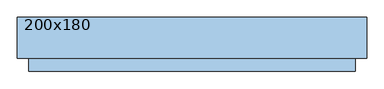
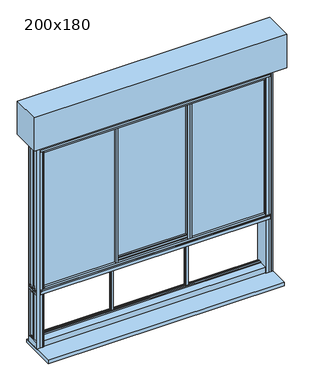
"""IFC4 building model written with IfcOpenShell, lengths in millimetres: window geometry, 200x180."""

from ifc_helpers import new_model, si_unit, frame, origin, place, context, project, spatial, polyline, outline, extrude, faceted_brep, source, transform, mapped, element, save


def window_200x180_e56c204f(model_context):
    return source(origin(), model_context, "Body", "SolidModel", [
        extrude(outline(polyline([(1871.5, 940.7), (1775.5, 940.7), (1775.5, 966.7), (1871.5, 966.7), (1871.5, 940.7)]), holes=[polyline([(1778.5, 963.7), (1778.5, 943.7), (1868.5, 943.7), (1868.5, 963.7), (1778.5, 963.7)])]), frame((0.0, 32.25, 0.0), z_axis=(0.0, 1.0, 0.0), x_axis=(0.0, 0.0, 1.0)), (0.0, 0.0, 1.0), 10.0),
        extrude(outline(polyline([(1871.5, -888.3), (1871.5, -914.3), (1775.5, -914.3), (1775.5, -888.3), (1871.5, -888.3)]), holes=[polyline([(1778.5, -911.3), (1868.5, -911.3), (1868.5, -891.3), (1778.5, -891.3), (1778.5, -911.3)])]), frame((0.0, 32.65, 0.0), z_axis=(0.0, 1.0, 0.0), x_axis=(0.0, 0.0, 1.0)), (0.0, 0.0, 1.0), 10.0),
        extrude(outline(polyline([(1096.2, -93.75), (-1043.8, -93.75), (-1043.8, 156.25), (1096.2, 156.25), (1096.2, -93.75)])), frame((0.0, 0.0, 2523.5), z_axis=(0.0, 0.0, 1.0), x_axis=(1.0, 0.0, 0.0)), (0.0, 0.0, 1.0), 300.0),
        extrude(outline(polyline([(57.45, 2431.9), (61.75, 2431.9), (61.75, 2434.1), (67.4000001, 2434.1), (67.4000001, 2443.9), (88.6999999, 2443.9), (88.6999999, 2434.1), (94.35, 2434.1), (94.35, 2431.9), (98.65, 2431.9), (98.65, 2414.0), (81.05, 2414.0), (81.05, 2423.4), (75.05, 2423.4), (75.05, 2414.0), (57.45, 2414.0), (57.45, 2431.9)])), frame((-290.1333333, 0.0, 0.0), z_axis=(1.0, 0.0, 0.0), x_axis=(0.0, 1.0, 0.0)), (0.0, 0.0, 1.0), 632.6666667),
        extrude(outline(polyline([(57.45, 1186.15), (57.45, 1204.05), (75.05, 1204.05), (75.05, 1194.65), (81.05, 1194.65), (81.05, 1204.05), (98.65, 1204.05), (98.65, 1186.15), (94.35, 1186.15), (94.35, 1183.95), (88.6999999, 1183.95), (88.6999999, 1174.15), (67.4000001, 1174.15), (67.4000001, 1183.95), (61.75, 1183.95), (61.75, 1186.15), (57.45, 1186.15)])), frame((-290.1333333, 0.0, 0.0), z_axis=(1.0, 0.0, 0.0), x_axis=(0.0, 1.0, 0.0)), (0.0, 0.0, 1.0), 632.6666667),
        faceted_brep([(1026.2, 25.5, 1173.5), (1015.15, 25.5, 1173.5), (1015.15, 21.0, 1173.5), (1026.2, 21.0, 1173.5), (-973.8, 21.0, 1173.5), (-962.75, 21.0, 1173.5), (-962.75, 25.5, 1173.5), (-973.8, 25.5, 1173.5), (977.05, 21.0, 1173.5), (1013.35, 21.0, 1173.5), (1013.35, 22.7303848, 1173.5), (1013.35, 25.5, 1173.5), (977.05, 25.5, 1173.5), (977.05, 42.2, 1173.5), (965.85, 42.2, 1173.5), (965.85, 25.5, 1173.5), (-913.45, 25.5, 1173.5), (-913.45, 42.2, 1173.5), (-924.65, 42.2, 1173.5), (-924.65, 25.5, 1173.5), (-960.95, 25.5, 1173.5), (-960.95, 22.7303848, 1173.5), (-960.95, 21.0, 1173.5), (-924.65, 21.0, 1173.5), (-924.65, 4.3, 1173.5), (-913.45, 4.3, 1173.5), (-913.45, 21.0, 1173.5), (965.85, 21.0, 1173.5), (965.85, 4.3, 1173.5), (977.05, 4.3, 1173.5), (-913.45, 108.1, 673.5), (-913.45, 106.25, 673.5), (965.85, 106.25, 673.5), (965.85, 108.1, 673.5), (1026.2, 108.1, 673.5), (1026.2, 29.65, 673.5), (1015.15, 29.65, 673.5), (1015.15, -0.5850342, 673.5), (1026.2, -0.5850342, 673.5), (1026.2, -6.8, 673.5), (998.9952323, -6.8, 673.5), (965.85, -6.8, 673.5), (965.85, 29.65, 673.5), (-913.45, 29.65, 673.5), (-913.45, -6.8, 673.5), (-946.5952323, -6.8, 673.5), (-973.8, -6.8, 673.5), (-973.8, -0.5850342, 673.5), (-962.75, -0.5850342, 673.5), (-962.75, 29.65, 673.5), (-973.8, 29.65, 673.5), (-973.8, 108.1, 673.5), (-960.95, -5.3, 673.5), (-924.65, -5.3, 673.5), (-924.65, 29.65, 673.5), (-960.95, 29.65, 673.5), (-960.95, 22.7303848, 673.5), (1013.35, -5.3, 673.5), (1013.35, 22.7303848, 673.5), (1013.35, 29.65, 673.5), (977.05, 29.65, 673.5), (977.05, -5.3, 673.5), (977.05, 29.65, 677.75), (977.05, -4.95, 677.75), (977.05, -4.95, 728.8026988), (977.05, 49.9, 728.8026988), (977.05, 49.9, 1150.55), (977.05, -4.95, 1150.55), (977.05, -4.95, 1206.05), (977.05, -0.85, 1206.05), (977.05, -0.85, 2412.0), (977.05, -4.95, 2412.0), (977.05, -4.95, 2473.5), (977.05, -5.3, 2473.5), (977.05, 4.3, 1169.65), (977.05, 21.0, 1169.65), (977.05, 25.5, 1169.65), (977.05, 42.2, 1169.65), (977.05, 49.9, 2455.0), (977.05, 47.35, 2455.0), (977.05, 47.35, 2424.7), (977.05, 49.9, 2424.7), (977.05, 49.9, 2412.0), (977.05, 47.35, 2412.0), (977.05, 47.35, 1206.05), (977.05, 49.9, 1206.05), (977.05, -0.85, 2455.0), (977.05, -3.45, 2455.0), (977.05, -3.45, 2426.5), (977.05, -0.85, 2426.5), (965.85, 106.25, 728.8026988), (965.85, 90.05, 728.8026988), (965.85, 90.05, 738.4026988), (965.85, 81.05, 738.4026988), (965.85, 81.05, 729.8026988), (965.85, 75.05, 729.8026988), (965.85, 75.05, 738.4026988), (965.85, 61.75, 738.4026988), (965.85, 61.75, 728.8026988), (965.85, -4.95, 728.8026988), (965.85, -4.95, 677.75), (965.85, 29.65, 677.75), (965.85, -6.8, 2473.5), (965.85, -4.95, 2473.5), (965.85, -4.95, 2412.0), (965.85, -0.85, 2412.0), (965.85, -0.85, 1206.05), (965.85, -4.95, 1206.05), (965.85, -4.95, 1150.55), (965.85, 61.7500001, 1150.55), (965.85, 61.7500001, 1140.95), (965.85, 75.0500001, 1140.95), (965.85, 75.0500001, 1149.55), (965.85, 81.0500001, 1149.55), (965.85, 81.0500001, 1140.95), (965.85, 90.0500001, 1140.95), (965.85, 90.0500001, 1150.55), (965.85, 106.25, 1150.55), (965.85, 106.25, 1206.05), (965.85, 102.15, 1206.05), (965.85, 102.15, 1194.85), (965.85, 104.75, 1194.85), (965.85, 104.75, 1188.85), (965.85, 101.205881, 1188.85), (965.85, 99.75, 1184.85), (965.85, 97.0, 1184.85), (965.85, 97.0, 1169.65), (965.85, 80.3, 1169.65), (965.85, 80.3, 1173.6231379), (965.85, 75.8, 1173.6231379), (965.85, 75.8, 1169.65), (965.85, 59.1000001, 1169.65), (965.85, 59.1000001, 1184.85), (965.85, 56.4000001, 1184.85), (965.85, 54.9441191, 1188.85), (965.85, 53.9500001, 1188.85), (965.85, 53.9500001, 1206.05), (965.85, 47.35, 1206.05), (965.85, 47.35, 2412.0), (965.85, 53.95, 2412.0), (965.85, 53.95, 2424.7), (965.85, 51.4, 2424.7), (965.85, 51.4, 2455.0), (965.85, 104.75, 2455.0), (965.85, 104.75, 2426.5), (965.85, 102.15, 2426.5), (965.85, 102.15, 2412.0), (965.85, 106.25, 2412.0), (965.85, 106.25, 2473.5), (965.85, 108.1, 2473.5), (965.85, 21.0, 1169.65), (965.85, 4.3, 1169.65), (965.85, 42.2, 1169.65), (965.85, 25.5, 1169.65), (965.85, 47.35, 2455.0), (965.85, 49.9, 2455.0), (965.85, 49.9, 2424.7), (965.85, 47.35, 2424.7), (965.85, -0.85, 2426.5), (965.85, -3.45, 2426.5), (965.85, -3.45, 2455.0), (965.85, -0.85, 2455.0), (-913.45, 29.65, 677.75), (-913.45, -4.95, 677.75), (-913.45, -4.95, 728.8026988), (-913.45, 61.75, 728.8026988), (-913.45, 61.75, 738.4026988), (-913.45, 75.05, 738.4026988), (-913.45, 75.05, 729.8026988), (-913.45, 81.05, 729.8026988), (-913.45, 81.05, 738.4026988), (-913.45, 90.05, 738.4026988), (-913.45, 90.05, 728.8026988), (-913.45, 106.25, 728.8026988), (-913.45, 108.1, 2473.5), (-913.45, 106.25, 2473.5), (-913.45, 106.25, 2412.0), (-913.45, 102.15, 2412.0), (-913.45, 102.15, 2426.5), (-913.45, 104.75, 2426.5), (-913.45, 104.75, 2455.0), (-913.45, 51.4, 2455.0), (-913.45, 51.4, 2424.7), (-913.45, 53.95, 2424.7), (-913.45, 53.95, 2412.0), (-913.45, 47.35, 2412.0), (-913.45, 47.35, 1206.05), (-913.45, 53.9500001, 1206.05), (-913.45, 53.9500001, 1188.85), (-913.45, 54.9441191, 1188.85), (-913.45, 56.4000001, 1184.85), (-913.45, 59.1000001, 1184.85), (-913.45, 59.1000001, 1169.65), (-913.45, 75.8, 1169.65), (-913.45, 75.8, 1173.6231379), (-913.45, 80.3, 1173.6231379), (-913.45, 80.3, 1169.65), (-913.45, 97.0, 1169.65), (-913.45, 97.0, 1184.85), (-913.45, 99.75, 1184.85), (-913.45, 101.205881, 1188.85), (-913.45, 104.75, 1188.85), (-913.45, 104.75, 1194.85), (-913.45, 102.15, 1194.85), (-913.45, 102.15, 1206.05), (-913.45, 106.25, 1206.05), (-913.45, 106.25, 1150.55), (-913.45, 90.0500001, 1150.55), (-913.45, 90.0500001, 1140.95), (-913.45, 81.0500001, 1140.95), (-913.45, 81.0500001, 1149.55), (-913.45, 75.0500001, 1149.55), (-913.45, 75.0500001, 1140.95), (-913.45, 61.7500001, 1140.95), (-913.45, 61.7500001, 1150.55), (-913.45, -4.95, 1150.55), (-913.45, -4.95, 1206.05), (-913.45, -0.85, 1206.05), (-913.45, -0.85, 2412.0), (-913.45, -4.95, 2412.0), (-913.45, -4.95, 2473.5), (-913.45, -6.8, 2473.5), (-913.45, 4.3, 1169.65), (-913.45, 21.0, 1169.65), (-913.45, 25.5, 1169.65), (-913.45, 42.2, 1169.65), (-913.45, -0.85, 2455.0), (-913.45, -3.45, 2455.0), (-913.45, -3.45, 2426.5), (-913.45, -0.85, 2426.5), (-913.45, 47.35, 2424.7), (-913.45, 49.9, 2424.7), (-913.45, 49.9, 2455.0), (-913.45, 47.35, 2455.0), (-924.65, -5.3, 2473.5), (-924.65, -4.95, 2473.5), (-924.65, -4.95, 2412.0), (-924.65, -0.85, 2412.0), (-924.65, -0.85, 1206.05), (-924.65, -4.95, 1206.05), (-924.65, -4.95, 1150.55), (-924.65, 49.9, 1150.55), (-924.65, 49.9, 728.8026988), (-924.65, -4.95, 728.8026988), (-924.65, -4.95, 677.75), (-924.65, 29.65, 677.75), (-924.65, 21.0, 1169.65), (-924.65, 4.3, 1169.65), (-924.65, 42.2, 1169.65), (-924.65, 25.5, 1169.65), (-924.65, 47.35, 2455.0), (-924.65, 49.9, 2455.0), (-924.65, 49.9, 2424.7), (-924.65, 47.35, 2424.7), (-924.65, 47.35, 2412.0), (-924.65, 49.9, 2412.0), (-924.65, 49.9, 1206.05), (-924.65, 47.35, 1206.05), (-924.65, -0.85, 2426.5), (-924.65, -3.45, 2426.5), (-924.65, -3.45, 2455.0), (-924.65, -0.85, 2455.0), (-973.8, 108.1, 2473.5), (-973.8, -6.8, 2473.5), (-946.5952323, -6.8, 2473.5), (998.9952323, -6.8, 2473.5), (1026.2, -6.8, 2473.5), (1026.2, 108.1, 2473.5), (-960.95, -5.3, 2473.5), (-960.95, -4.95, 2473.5), (1013.35, -5.3, 2473.5), (1013.35, -4.95, 2473.5), (1013.35, -0.85, 1206.05), (1013.35, -0.85, 1188.85), (-960.95, -0.85, 1188.85), (-960.95, -0.85, 1206.05), (-960.95, -0.85, 2412.0), (-960.95, -0.85, 2426.5), (1013.35, -0.85, 2426.5), (1013.35, -0.85, 2412.0), (-973.8, 29.65, 677.75), (-973.8, -0.5850342, 677.75), (-973.8, 51.4, 2455.0), (-973.8, 51.4, 2424.7), (-973.8, 53.95, 2424.7), (-973.8, 53.95, 2412.0), (-973.8, 47.35, 2412.0), (-973.8, 47.35, 2424.7), (-973.8, 49.9, 2424.7), (-973.8, 49.9, 2455.0), (-973.8, -0.5850342, 2455.0), (-973.8, -0.5850342, 1188.85), (-973.8, 0.0941191, 1188.85), (-973.8, 1.55, 1184.85), (-973.8, 4.3, 1184.85), (-973.8, 4.3, 1169.65), (-973.8, 21.0, 1169.65), (-973.8, 25.5, 1169.65), (-973.8, 42.2, 1169.65), (-973.8, 42.2, 1184.85), (-973.8, 44.9, 1184.85), (-973.8, 46.355881, 1188.85), (-973.8, 47.3500001, 1188.85), (-973.8, 47.3500001, 1206.05), (-973.8, 53.9500001, 1206.05), (-973.8, 53.9500001, 1188.85), (-973.8, 54.9441191, 1188.85), (-973.8, 56.4000001, 1184.85), (-973.8, 59.1000001, 1184.85), (-973.8, 59.1000001, 1169.65), (-973.8, 75.8, 1169.65), (-973.8, 75.8, 1173.6231379), (-973.8, 80.3, 1173.6231379), (-973.8, 80.3, 1169.65), (-973.8, 97.0, 1169.65), (-973.8, 97.0, 1184.85), (-973.8, 99.75, 1184.85), (-973.8, 101.205881, 1188.85), (-973.8, 101.8850342, 1188.85), (-973.8, 101.8850342, 2455.0), (-973.8, 90.0500001, 1150.55), (-973.8, 90.0500001, 1140.95), (-973.8, 81.0500001, 1140.95), (-973.8, 81.0500001, 1149.55), (-973.8, 75.0500001, 1149.55), (-973.8, 75.0500001, 1140.95), (-973.8, 61.7500001, 1140.95), (-973.8, 61.7500001, 1150.55), (-973.8, -0.5850342, 1150.55), (-973.8, -0.5850342, 728.8026988), (-973.8, 61.75, 728.8026988), (-973.8, 61.75, 738.4026988), (-973.8, 75.05, 738.4026988), (-973.8, 75.05, 729.8026988), (-973.8, 81.05, 729.8026988), (-973.8, 81.05, 738.4026988), (-973.8, 90.05, 738.4026988), (-973.8, 90.05, 728.8026988), (-973.8, 101.8850342, 728.8026988), (-973.8, 101.8850342, 1150.55), (-962.75, -0.5850342, 677.75), (-962.75, -0.5850342, 2455.0), (-962.75, -0.5850342, 1188.85), (-962.75, -0.5850342, 1150.55), (-962.75, -0.5850342, 728.8026988), (-962.75, 29.65, 677.75), (-962.75, 49.9, 2455.0), (-962.75, 49.9, 2424.7), (-962.75, 47.35, 2424.7), (-962.75, 47.35, 2412.0), (-962.75, 49.9, 2412.0), (-962.75, 49.9, 1206.05), (-962.75, 47.3500001, 1206.05), (-962.75, 47.3500001, 1188.85), (-962.75, 46.355881, 1188.85), (-962.75, 44.9, 1184.85), (-962.75, 42.2, 1184.85), (-962.75, 42.2, 1169.65), (-962.75, 25.5, 1169.65), (-962.75, 21.0, 1169.65), (-962.75, 4.3, 1169.65), (-962.75, 4.3, 1184.85), (-962.75, 1.55, 1184.85), (-962.75, 0.0941191, 1188.85), (-962.75, 49.9, 1150.55), (-962.75, 49.9, 728.8026988), (1026.2, 49.9, 2455.0), (1015.15, 49.9, 2455.0), (1015.15, 49.9, 2424.7), (1026.2, 49.9, 2424.7), (-969.028222, 49.9, 2412.0), (-969.028222, 49.9, 1206.05), (-969.028222, 49.9, 1150.55), (-969.028222, 49.9, 728.8026988), (1021.428222, 49.9, 2412.0), (1015.15, 49.9, 2412.0), (1015.15, 49.9, 1206.05), (1021.428222, 49.9, 1206.05), (1021.428222, 49.9, 1150.55), (1015.15, 49.9, 1150.55), (1015.15, 49.9, 728.8026988), (1021.428222, 49.9, 728.8026988), (-969.028222, 51.425037, 2412.0), (-969.028222, 51.425037, 1206.05), (-969.028222, 51.425037, 1150.55), (-969.028222, 51.425037, 728.8026988), (1026.2, 51.425037, 2424.7), (1015.15, 51.425037, 2424.7), (1015.15, 51.425037, 2455.0), (1026.2, 51.425037, 2455.0), (-962.75, 51.425037, 2412.0), (-962.75, 51.425037, 1206.05), (-962.75, 51.425037, 1150.55), (-962.75, 51.425037, 728.8026988), (-962.75, 51.425037, 2424.7), (-962.75, 51.425037, 2455.0), (1015.15, 51.425037, 2412.0), (1021.428222, 51.425037, 2412.0), (1021.428222, 51.425037, 1206.05), (1015.15, 51.425037, 1206.05), (1015.15, 51.425037, 1150.55), (1021.428222, 51.425037, 1150.55), (1021.428222, 51.425037, 728.8026988), (1015.15, 51.425037, 728.8026988), (-962.75, 101.8850342, 2455.0), (-962.75, 101.8850342, 1188.85), (-962.75, 101.205881, 1188.85), (-962.75, 99.75, 1184.85), (-962.75, 97.0, 1184.85), (-962.75, 97.0, 1169.65), (-962.75, 80.3, 1169.65), (-962.75, 80.3, 1173.6231379), (-962.75, 75.8, 1173.6231379), (-962.75, 75.8, 1169.65), (-962.75, 59.1000001, 1169.65), (-962.75, 59.1000001, 1184.85), (-962.75, 56.4000001, 1184.85), (-962.75, 54.9441191, 1188.85), (-962.75, 53.9500001, 1188.85), (-962.75, 53.9500001, 1206.05), (-962.75, 53.95, 2412.0), (-962.75, 53.95, 2424.7), (-962.75, 61.7500001, 1150.55), (-962.75, 61.7500001, 1140.95), (-962.75, 75.0500001, 1140.95), (-962.75, 75.0500001, 1149.55), (-962.75, 81.0500001, 1149.55), (-962.75, 81.0500001, 1140.95), (-962.75, 90.0500001, 1140.95), (-962.75, 90.0500001, 1150.55), (-962.75, 101.8850342, 1150.55), (-962.75, 101.8850342, 728.8026988), (-962.75, 90.05, 728.8026988), (-962.75, 90.05, 738.4026988), (-962.75, 81.05, 738.4026988), (-962.75, 81.05, 729.8026988), (-962.75, 75.05, 729.8026988), (-962.75, 75.05, 738.4026988), (-962.75, 61.75, 738.4026988), (-962.75, 61.75, 728.8026988), (1026.2, 47.35, 2424.7), (1015.15, 47.35, 2424.7), (1015.15, 47.35, 2412.0), (1026.2, 47.35, 2412.0), (1026.2, 47.35, 1206.05), (1015.15, 47.35, 1206.05), (1015.15, 47.35, 1188.85), (1026.2, 47.35, 1188.85), (-960.95, 47.35, 1188.85), (1013.35, 47.35, 1188.85), (1013.35, 47.35, 1206.05), (1013.35, 47.35, 2412.0), (1013.35, 47.35, 2424.7), (-960.95, 47.35, 2424.7), (-960.95, 47.35, 2412.0), (-960.95, 47.35, 1206.05), (-960.95, 49.9, 2455.0), (-960.95, 49.9, 2424.7), (-960.95, 49.9, 2412.0), (-960.95, 49.9, 1206.05), (-960.95, 49.9, 1150.55), (-960.95, 49.9, 728.8026988), (-960.95, 29.65, 677.75), (-960.95, 22.7303848, 677.75), (-960.95, 22.7303848, 2455.0), (-960.95, 25.5, 1169.65), (-960.95, 42.2, 1169.65), (-960.95, 42.2, 1184.85), (-960.95, 44.9, 1184.85), (-960.95, 46.355881, 1188.85), (-960.95, 22.7303848, 1150.55), (-960.95, 22.7303848, 728.8026988), (-960.95, -4.95, 677.75), (-960.95, -4.95, 728.8026988), (-960.95, -4.95, 1150.55), (-960.95, -4.95, 1206.05), (-960.95, 0.0941191, 1188.85), (-960.95, 1.55, 1184.85), (-960.95, 4.3, 1184.85), (-960.95, 4.3, 1169.65), (-960.95, 21.0, 1169.65), (-960.95, -3.45, 2455.0), (-960.95, -3.45, 2426.5), (-960.95, -4.95, 2412.0), (1013.35, -4.95, 2412.0), (1013.35, -3.45, 2426.5), (1013.35, -3.45, 2455.0), (1013.35, 22.7303848, 2455.0), (1013.35, 21.0, 1169.65), (1013.35, 4.3, 1169.65), (1013.35, 4.3, 1184.85), (1013.35, 1.55, 1184.85), (1013.35, 0.0941191, 1188.85), (1013.35, -4.95, 1206.05), (1013.35, -4.95, 1150.55), (1013.35, 22.7303848, 1150.55), (1013.35, 22.7303848, 728.8026988), (1013.35, -4.95, 728.8026988), (1013.35, -4.95, 677.75), (1013.35, 22.7303848, 677.75), (1013.35, 29.65, 677.75), (1013.35, 49.9, 2455.0), (1013.35, 49.9, 2424.7), (1013.35, 49.9, 2412.0), (1013.35, 49.9, 1206.05), (1013.35, 46.355881, 1188.85), (1013.35, 44.9, 1184.85), (1013.35, 42.2, 1184.85), (1013.35, 42.2, 1169.65), (1013.35, 25.5, 1169.65), (1013.35, 49.9, 1150.55), (1013.35, 49.9, 728.8026988), (1026.2, -0.5850342, 677.75), (1026.2, 29.65, 677.75), (1026.2, 53.95, 2412.0), (1026.2, 53.95, 2424.7), (1026.2, 101.8850342, 2455.0), (1026.2, 101.8850342, 1188.85), (1026.2, 101.205881, 1188.85), (1026.2, 99.75, 1184.85), (1026.2, 97.0, 1184.85), (1026.2, 97.0, 1169.65), (1026.2, 80.3, 1169.65), (1026.2, 80.3, 1173.6231379), (1026.2, 75.8, 1173.6231379), (1026.2, 75.8, 1169.65), (1026.2, 59.1000001, 1169.65), (1026.2, 59.1000001, 1184.85), (1026.2, 56.4000001, 1184.85), (1026.2, 54.9441191, 1188.85), (1026.2, 53.9500001, 1188.85), (1026.2, 53.9500001, 1206.05), (1026.2, 46.355881, 1188.85), (1026.2, 44.9, 1184.85), (1026.2, 42.2, 1184.85), (1026.2, 42.2, 1169.65), (1026.2, 25.5, 1169.65), (1026.2, 21.0, 1169.65), (1026.2, 4.3, 1169.65), (1026.2, 4.3, 1184.85), (1026.2, 1.55, 1184.85), (1026.2, 0.0941191, 1188.85), (1026.2, -0.5850342, 1188.85), (1026.2, -0.5850342, 2455.0), (1026.2, 61.7500001, 1150.55), (1026.2, 61.7500001, 1140.95), (1026.2, 75.0500001, 1140.95), (1026.2, 75.0500001, 1149.55), (1026.2, 81.0500001, 1149.55), (1026.2, 81.0500001, 1140.95), (1026.2, 90.0500001, 1140.95), (1026.2, 90.0500001, 1150.55), (1026.2, 101.8850342, 1150.55), (1026.2, 101.8850342, 728.8026988), (1026.2, 90.05, 728.8026988), (1026.2, 90.05, 738.4026988), (1026.2, 81.05, 738.4026988), (1026.2, 81.05, 729.8026988), (1026.2, 75.05, 729.8026988), (1026.2, 75.05, 738.4026988), (1026.2, 61.75, 738.4026988), (1026.2, 61.75, 728.8026988), (1026.2, -0.5850342, 728.8026988), (1026.2, -0.5850342, 1150.55), (1015.15, 101.8850342, 2455.0), (1015.15, 101.8850342, 1188.85), (1015.15, 101.8850342, 1150.55), (1015.15, 101.8850342, 728.8026988), (1015.15, 53.95, 2424.7), (1015.15, 53.95, 2412.0), (1015.15, 53.9500001, 1206.05), (1015.15, 53.9500001, 1188.85), (1015.15, 54.9441191, 1188.85), (1015.15, 56.4000001, 1184.85), (1015.15, 59.1000001, 1184.85), (1015.15, 59.1000001, 1169.65), (1015.15, 75.8, 1169.65), (1015.15, 75.8, 1173.6231379), (1015.15, 80.3, 1173.6231379), (1015.15, 80.3, 1169.65), (1015.15, 97.0, 1169.65), (1015.15, 97.0, 1184.85), (1015.15, 99.75, 1184.85), (1015.15, 101.205881, 1188.85), (1015.15, 90.0500001, 1150.55), (1015.15, 90.0500001, 1140.95), (1015.15, 81.0500001, 1140.95), (1015.15, 81.0500001, 1149.55), (1015.15, 75.0500001, 1149.55), (1015.15, 75.0500001, 1140.95), (1015.15, 61.7500001, 1140.95), (1015.15, 61.7500001, 1150.55), (1015.15, 61.75, 728.8026988), (1015.15, 61.75, 738.4026988), (1015.15, 75.05, 738.4026988), (1015.15, 75.05, 729.8026988), (1015.15, 81.05, 729.8026988), (1015.15, 81.05, 738.4026988), (1015.15, 90.05, 738.4026988), (1015.15, 90.05, 728.8026988), (1015.15, 29.65, 677.75), (1015.15, -0.5850342, 677.75), (1015.15, -0.5850342, 2455.0), (1015.15, -0.5850342, 1188.85), (1015.15, 0.0941191, 1188.85), (1015.15, 1.55, 1184.85), (1015.15, 4.3, 1184.85), (1015.15, 4.3, 1169.65), (1015.15, 21.0, 1169.65), (1015.15, 25.5, 1169.65), (1015.15, 42.2, 1169.65), (1015.15, 42.2, 1184.85), (1015.15, 44.9, 1184.85), (1015.15, 46.355881, 1188.85), (1015.15, -0.5850342, 1150.55), (1015.15, -0.5850342, 728.8026988)], [[[0, 1, 2, 3]], [[4, 5, 6, 7]], [[8, 9, 10, 11, 12, 13, 14, 15, 16, 17, 18, 19, 20, 21, 22, 23, 24, 25, 26, 27, 28, 29]], [[30, 31, 32, 33, 34, 35, 36, 37, 38, 39, 40, 41, 42, 43, 44, 45, 46, 47, 48, 49, 50, 51], [52, 53, 54, 55, 56], [57, 58, 59, 60, 61]], [[61, 60, 62, 63, 64, 65, 66, 67, 68, 69, 70, 71, 72, 73]], [[29, 74, 75, 8]], [[12, 76, 77, 13]], [[78, 79, 80, 81]], [[82, 83, 84, 85]], [[86, 87, 88, 89]], [[33, 32, 90, 91, 92, 93, 94, 95, 96, 97, 98, 99, 100, 101, 42, 41, 102, 103, 104, 105, 106, 107, 108, 109, 110, 111, 112, 113, 114, 115, 116, 117, 118, 119, 120, 121, 122, 123, 124, 125, 126, 127, 128, 129, 130, 131, 132, 133, 134, 135, 136, 137, 138, 139, 140, 141, 142, 143, 144, 145, 146, 147, 148, 149]], [[27, 150, 151, 28]], [[14, 152, 153, 15]], [[154, 155, 156, 157]], [[158, 159, 160, 161]], [[44, 43, 162, 163, 164, 165, 166, 167, 168, 169, 170, 171, 172, 173, 31, 30, 174, 175, 176, 177, 178, 179, 180, 181, 182, 183, 184, 185, 186, 187, 188, 189, 190, 191, 192, 193, 194, 195, 196, 197, 198, 199, 200, 201, 202, 203, 204, 205, 206, 207, 208, 209, 210, 211, 212, 213, 214, 215, 216, 217, 218, 219, 220, 221]], [[25, 222, 223, 26]], [[16, 224, 225, 17]], [[226, 227, 228, 229]], [[230, 231, 232, 233]], [[234, 235, 236, 237, 238, 239, 240, 241, 242, 243, 244, 245, 54, 53]], [[23, 246, 247, 24]], [[18, 248, 249, 19]], [[250, 251, 252, 253]], [[254, 255, 256, 257]], [[258, 259, 260, 261]], [[262, 263, 264, 221, 220, 103, 102, 265, 266, 267, 149, 148, 175, 174], [268, 269, 235, 234], [270, 73, 72, 271]], [[234, 53, 52, 268]], [[272, 273, 274, 275, 238, 237, 276, 277, 258, 261, 226, 229, 158, 161, 86, 89, 278, 279, 70, 69], [218, 217, 106, 105]], [[264, 45, 44, 221]], [[263, 46, 45, 264]], [[46, 263, 262, 51, 50, 280, 281, 47], [282, 283, 284, 285, 286, 287, 288, 289, 290, 291, 292, 293, 294, 295, 296, 4, 7, 297, 298, 299, 300, 301, 302, 303, 304, 305, 306, 307, 308, 309, 310, 311, 312, 313, 314, 315, 316, 317, 318, 319], [320, 321, 322, 323, 324, 325, 326, 327, 328, 329, 330, 331, 332, 333, 334, 335, 336, 337, 338, 339]], [[47, 281, 340, 48]], [[290, 341, 342, 291]], [[328, 343, 344, 329]], [[48, 340, 345, 49]], [[341, 346, 347, 348, 349, 350, 351, 352, 353, 354, 355, 356, 357, 358, 6, 5, 359, 360, 361, 362, 363, 342]], [[343, 364, 365, 344]], [[156, 155, 232, 231]], [[366, 367, 368, 369]], [[346, 289, 288, 347]], [[350, 370, 371, 351]], [[364, 372, 373, 365]], [[374, 375, 376, 377]], [[378, 379, 380, 381]], [[370, 382, 383, 371]], [[372, 384, 385, 373]], [[142, 141, 182, 181]], [[386, 387, 388, 389]], [[382, 390, 391, 383]], [[384, 392, 393, 385]], [[394, 283, 282, 395]], [[396, 397, 398, 399]], [[400, 401, 402, 403]], [[395, 404, 405, 406, 407, 408, 409, 410, 411, 412, 413, 414, 415, 416, 417, 418, 419, 391, 390, 420, 421, 394]], [[392, 422, 423, 424, 425, 426, 427, 428, 429, 430, 431, 432, 433, 434, 435, 436, 437, 438, 439, 393]], [[404, 319, 318, 405]], [[430, 339, 338, 431]], [[174, 30, 51, 262]], [[440, 441, 442, 443]], [[444, 445, 446, 447]], [[286, 349, 348, 287]], [[302, 353, 352, 303]], [[448, 449, 450, 84, 83, 451, 452, 80, 79, 154, 157, 230, 233, 250, 253, 453, 454, 254, 257, 455], [186, 185, 138, 137]], [[251, 456, 457, 252]], [[255, 458, 459, 256]], [[241, 460, 461, 242]], [[55, 462, 463, 56]], [[456, 464, 21, 20, 465, 466, 467, 468, 469, 448, 455, 459, 458, 454, 453, 457]], [[460, 470, 471, 461]], [[56, 463, 472, 473, 471, 470, 474, 475, 275, 274, 476, 477, 478, 479, 480, 22, 21, 464, 481, 482, 277, 276, 483, 269, 268, 52]], [[57, 270, 271, 484, 279, 278, 485, 486, 487, 10, 9, 488, 489, 490, 491, 492, 273, 272, 493, 494, 495, 496, 497, 498, 499, 58]], [[58, 499, 500, 59]], [[487, 501, 502, 452, 451, 503, 504, 450, 449, 505, 506, 507, 508, 509, 11, 10]], [[495, 510, 511, 496]], [[81, 502, 501, 78]], [[85, 504, 503, 82]], [[65, 511, 510, 66]], [[267, 34, 33, 149]], [[266, 39, 38, 512, 513, 35, 34, 267], [366, 369, 440, 443, 514, 515, 386, 389, 516, 517, 518, 519, 520, 521, 522, 523, 524, 525, 526, 527, 528, 529, 530, 531, 444, 447, 532, 533, 534, 535, 536, 0, 3, 537, 538, 539, 540, 541, 542, 543], [544, 545, 546, 547, 548, 549, 550, 551, 552, 553, 554, 555, 556, 557, 558, 559, 560, 561, 562, 563]], [[516, 564, 565, 517]], [[552, 566, 567, 553]], [[564, 388, 387, 568, 569, 396, 399, 570, 571, 572, 573, 574, 575, 576, 577, 578, 579, 580, 581, 582, 583, 565]], [[566, 584, 585, 586, 587, 588, 589, 590, 591, 400, 403, 592, 593, 594, 595, 596, 597, 598, 599, 567]], [[397, 374, 377, 398]], [[401, 378, 381, 402]], [[36, 600, 601, 37]], [[367, 602, 603, 604, 605, 606, 607, 608, 2, 1, 609, 610, 611, 612, 613, 446, 445, 376, 375, 442, 441, 368]], [[379, 614, 615, 380]], [[37, 601, 512, 38]], [[602, 543, 542, 603]], [[614, 563, 562, 615]], [[265, 40, 39, 266]], [[102, 41, 40, 265]], [[270, 57, 61, 73]], [[72, 71, 484, 271]], [[220, 219, 104, 103]], [[269, 483, 236, 235]], [[148, 147, 176, 175]], [[147, 146, 177, 176]], [[146, 145, 178, 177]], [[145, 144, 179, 178]], [[144, 143, 180, 179]], [[143, 142, 181, 180]], [[282, 319, 404, 395]], [[388, 564, 516, 389]], [[141, 140, 183, 182]], [[394, 421, 284, 283]], [[515, 568, 387, 386]], [[140, 139, 184, 183]], [[284, 421, 420, 285]], [[514, 569, 568, 515]], [[83, 82, 503, 451]], [[185, 184, 139, 138]], [[443, 442, 375, 374, 397, 396, 569, 514]], [[454, 458, 255, 254]], [[285, 420, 390, 382, 370, 350, 349, 286]], [[157, 156, 231, 230]], [[253, 252, 457, 453]], [[287, 348, 347, 288]], [[452, 502, 81, 80]], [[368, 441, 440, 369]], [[155, 154, 79, 78, 501, 487, 486, 87, 86, 161, 160, 227, 226, 261, 260, 481, 464, 456, 251, 250, 233, 232]], [[346, 341, 290, 289]], [[366, 543, 602, 367]], [[160, 159, 228, 227]], [[260, 259, 482, 481]], [[486, 485, 88, 87]], [[229, 228, 159, 158]], [[259, 258, 277, 482]], [[485, 278, 89, 88]], [[71, 70, 279, 484]], [[105, 104, 219, 218]], [[483, 276, 237, 236]], [[291, 342, 363, 292]], [[273, 492, 476, 274]], [[541, 604, 603, 542]], [[492, 491, 477, 476]], [[292, 363, 362, 293]], [[540, 605, 604, 541]], [[491, 490, 478, 477]], [[293, 362, 361, 294]], [[539, 606, 605, 540]], [[490, 489, 74, 29, 28, 151, 222, 25, 24, 247, 479, 478]], [[294, 361, 360, 295]], [[538, 607, 606, 539]], [[151, 150, 223, 222]], [[247, 246, 480, 479]], [[489, 488, 75, 74]], [[295, 360, 359, 296]], [[537, 608, 607, 538]], [[3, 2, 608, 537]], [[26, 223, 150, 27]], [[246, 23, 22, 480]], [[488, 9, 8, 75]], [[296, 359, 5, 4]], [[7, 6, 358, 297]], [[15, 153, 224, 16]], [[19, 249, 465, 20]], [[11, 509, 76, 12]], [[536, 609, 1, 0]], [[153, 152, 225, 224]], [[249, 248, 466, 465]], [[509, 508, 77, 76]], [[297, 358, 357, 298]], [[535, 610, 609, 536]], [[152, 14, 13, 77, 508, 507, 467, 466, 248, 18, 17, 225]], [[298, 357, 356, 299]], [[534, 611, 610, 535]], [[507, 506, 468, 467]], [[299, 356, 355, 300]], [[533, 612, 611, 534]], [[506, 505, 469, 468]], [[300, 355, 354, 301]], [[532, 613, 612, 533]], [[447, 446, 613, 532]], [[448, 469, 505, 449]], [[301, 354, 353, 302]], [[137, 136, 187, 186]], [[257, 256, 459, 455]], [[303, 352, 351, 371, 383, 391, 419, 304]], [[450, 504, 85, 84]], [[531, 570, 399, 398, 377, 376, 445, 444]], [[136, 135, 188, 187]], [[304, 419, 418, 305]], [[530, 571, 570, 531]], [[135, 134, 189, 188]], [[305, 418, 417, 306]], [[529, 572, 571, 530]], [[134, 133, 190, 189]], [[306, 417, 416, 307]], [[528, 573, 572, 529]], [[133, 132, 191, 190]], [[307, 416, 415, 308]], [[527, 574, 573, 528]], [[132, 131, 192, 191]], [[308, 415, 414, 309]], [[526, 575, 574, 527]], [[131, 130, 193, 192]], [[309, 414, 413, 310]], [[525, 576, 575, 526]], [[130, 129, 194, 193]], [[310, 413, 412, 311]], [[524, 577, 576, 525]], [[129, 128, 195, 194]], [[311, 412, 411, 312]], [[523, 578, 577, 524]], [[128, 127, 196, 195]], [[312, 411, 410, 313]], [[522, 579, 578, 523]], [[127, 126, 197, 196]], [[313, 410, 409, 314]], [[521, 580, 579, 522]], [[126, 125, 198, 197]], [[314, 409, 408, 315]], [[520, 581, 580, 521]], [[125, 124, 199, 198]], [[315, 408, 407, 316]], [[519, 582, 581, 520]], [[124, 123, 200, 199]], [[316, 407, 406, 317]], [[518, 583, 582, 519]], [[123, 122, 201, 200]], [[517, 565, 583, 518]], [[317, 406, 405, 318]], [[122, 121, 202, 201]], [[121, 120, 203, 202]], [[120, 119, 204, 203]], [[119, 118, 205, 204]], [[118, 117, 206, 205]], [[117, 116, 207, 206]], [[339, 430, 429, 320]], [[551, 584, 566, 552]], [[115, 114, 209, 208]], [[549, 586, 585, 550]], [[321, 428, 427, 322]], [[114, 113, 210, 209]], [[322, 427, 426, 323]], [[548, 587, 586, 549]], [[113, 112, 211, 210]], [[323, 426, 425, 324]], [[547, 588, 587, 548]], [[112, 111, 212, 211]], [[324, 425, 424, 325]], [[546, 589, 588, 547]], [[111, 110, 213, 212]], [[325, 424, 423, 326]], [[545, 590, 589, 546]], [[110, 109, 214, 213]], [[326, 423, 422, 327]], [[544, 591, 590, 545]], [[67, 66, 510, 495, 494]], [[109, 108, 215, 214]], [[474, 470, 460, 241, 240]], [[563, 614, 379, 378, 401, 400, 591, 544]], [[327, 422, 392, 384, 372, 364, 343, 328]], [[108, 107, 216, 215]], [[240, 239, 475, 474]], [[494, 493, 68, 67]], [[69, 68, 493, 272]], [[217, 216, 107, 106]], [[275, 475, 239, 238]], [[101, 100, 163, 162]], [[245, 244, 472, 463, 462]], [[500, 499, 498, 63, 62]], [[512, 601, 600, 513]], [[280, 345, 340, 281]], [[100, 99, 164, 163]], [[244, 243, 473, 472]], [[498, 497, 64, 63]], [[99, 98, 165, 164]], [[243, 242, 461, 471, 473]], [[329, 344, 365, 373, 385, 393, 439, 330]], [[497, 496, 511, 65, 64]], [[561, 592, 403, 402, 381, 380, 615, 562]], [[98, 97, 166, 165]], [[330, 439, 438, 331]], [[560, 593, 592, 561]], [[97, 96, 167, 166]], [[331, 438, 437, 332]], [[559, 594, 593, 560]], [[96, 95, 168, 167]], [[332, 437, 436, 333]], [[558, 595, 594, 559]], [[95, 94, 169, 168]], [[333, 436, 435, 334]], [[557, 596, 595, 558]], [[94, 93, 170, 169]], [[334, 435, 434, 335]], [[556, 597, 596, 557]], [[93, 92, 171, 170]], [[335, 434, 433, 336]], [[555, 598, 597, 556]], [[91, 90, 173, 172]], [[553, 567, 599, 554]], [[337, 432, 431, 338]], [[31, 173, 90, 32]], [[50, 49, 345, 280]], [[42, 101, 162, 43]], [[54, 245, 462, 55]], [[59, 500, 62, 60]], [[513, 600, 36, 35]], [[172, 171, 92, 91]], [[336, 433, 432, 337]], [[554, 599, 598, 555]], [[208, 207, 116, 115]], [[320, 429, 428, 321]], [[550, 585, 584, 551]]]),
        extrude(outline(polyline([(57.45, 2431.9), (61.75, 2431.9), (61.75, 2434.1), (67.4000001, 2434.1), (67.4000001, 2443.9), (88.6999999, 2443.9), (88.6999999, 2434.1), (94.35, 2434.1), (94.35, 2431.9), (98.65, 2431.9), (98.65, 2414.0), (81.05, 2414.0), (81.05, 2423.4), (75.05, 2423.4), (75.05, 2414.0), (57.45, 2414.0), (57.45, 2431.9)])), frame((-290.1333333, 0.0, 0.0), z_axis=(1.0, 0.0, 0.0), x_axis=(0.0, 1.0, 0.0)), (0.0, 0.0, 1.0), 632.6666667),
        extrude(outline(polyline([(57.45, 1186.15), (57.45, 1204.05), (75.05, 1204.05), (75.05, 1194.65), (81.05, 1194.65), (81.05, 1204.05), (98.65, 1204.05), (98.65, 1186.15), (94.35, 1186.15), (94.35, 1183.95), (88.6999999, 1183.95), (88.6999999, 1174.15), (67.4000001, 1174.15), (67.4000001, 1183.95), (61.75, 1183.95), (61.75, 1186.15), (57.45, 1186.15)])), frame((-290.1333333, 0.0, 0.0), z_axis=(1.0, 0.0, 0.0), x_axis=(0.0, 1.0, 0.0)), (0.0, 0.0, 1.0), 632.6666667),
        extrude(outline(polyline([(-288.6333333, 87.45), (-280.1333333, 87.45), (-280.1333333, 81.05), (-300.1333333, 81.05), (-300.1333333, 87.45), (-291.6333333, 87.45), (-291.6333333, 96.25), (-288.6333333, 96.25), (-288.6333333, 87.45)])), frame((0.0, 0.0, 729.0), z_axis=(0.0, 0.0, 1.0), x_axis=(1.0, 0.0, 0.0)), (0.0, 0.0, 1.0), 444.5),
        extrude(outline(polyline([(-300.1333333, 69.05), (-300.1333333, 75.05), (-280.1333333, 75.05), (-280.1333333, 69.05), (-300.1333333, 69.05)])), frame((0.0, 0.0, 729.0), z_axis=(0.0, 0.0, 1.0), x_axis=(1.0, 0.0, 0.0)), (0.0, 0.0, 1.0), 444.5),
        extrude(outline(polyline([(341.0333333, 87.45), (341.0333333, 96.25), (344.0333333, 96.25), (344.0333333, 87.45), (352.5333333, 87.45), (352.5333333, 81.05), (332.5333333, 81.05), (332.5333333, 87.45), (341.0333333, 87.45)])), frame((0.0, 0.0, 729.0), z_axis=(0.0, 0.0, 1.0), x_axis=(1.0, 0.0, 0.0)), (0.0, 0.0, 1.0), 444.5),
        extrude(outline(polyline([(352.5333333, 69.05), (332.5333333, 69.05), (332.5333333, 75.05), (352.5333333, 75.05), (352.5333333, 69.05)])), frame((0.0, 0.0, 729.0), z_axis=(0.0, 0.0, 1.0), x_axis=(1.0, 0.0, 0.0)), (0.0, 0.0, 1.0), 444.5),
        extrude(outline(polyline([(-923.7, 20.25), (-923.7, 26.25), (-289.1333333, 26.25), (-289.1333333, 20.25), (-923.7, 20.25)])), frame((0.0, 0.0, 1194.65), z_axis=(0.0, 0.0, 1.0), x_axis=(1.0, 0.0, 0.0)), (0.0, 0.0, 1.0), 1228.75),
        extrude(outline(polyline([(976.1, 20.25), (342.5333333, 20.25), (342.5333333, 26.25), (976.1, 26.25), (976.1, 20.25)])), frame((0.0, 0.0, 1194.65), z_axis=(0.0, 0.0, 1.0), x_axis=(1.0, 0.0, 0.0)), (0.0, 0.0, 1.0), 1228.75),
        extrude(outline(polyline([(342.5333333, 75.05), (-290.1333333, 75.05), (-290.1333333, 81.05), (342.5333333, 81.05), (342.5333333, 75.05)])), frame((0.0, 0.0, 1194.65), z_axis=(0.0, 0.0, 1.0), x_axis=(1.0, 0.0, 0.0)), (0.0, 0.0, 1.0), 1228.75),
        faceted_brep([(-281.1333333, 2.65, 1173.5), (-299.1333333, 2.65, 1173.5), (-299.1333333, 14.25, 1173.5), (-288.9081444, 14.25, 1173.5), (-288.9081444, 32.25, 1173.5), (-299.1333333, 32.25, 1173.5), (-299.1333333, 43.85, 1173.5), (-284.9364704, 43.85, 1173.5), (-284.9364704, 50.1440374, 1173.5), (-288.2414696, 50.1440374, 1173.5), (-292.4491159, 51.5636227, 1173.5), (-292.4491159, 53.95, 1173.5), (-283.1599431, 53.95, 1173.5), (-283.1599431, 43.85, 1173.5), (-281.1333333, 43.85, 1173.5), (-281.1333333, 2.65, 2443.9), (-281.1333333, 43.85, 2443.9), (-283.1599431, 43.85, 2443.9), (-283.1599431, 53.95, 2443.9), (-292.4491159, 53.95, 2443.9), (-292.4491159, 51.5636227, 2443.9), (-288.2414696, 50.1440374, 2443.9), (-284.9364704, 50.1440374, 2443.9), (-284.9364704, 43.85, 2443.9), (-299.1333333, 43.85, 2443.9), (-299.1333333, 33.8999999, 2443.9), (-944.2, 33.8999999, 2443.9), (-944.2, 12.6000001, 2443.9), (-299.1333333, 12.6000001, 2443.9), (-299.1333333, 2.65, 2443.9), (-288.9081444, 14.25, 2443.9), (-290.1333333, 14.25, 2443.9), (-290.1333333, 32.25, 2443.9), (-288.9081444, 32.25, 2443.9), (-299.1333333, 2.65, 2431.9), (-932.2, 2.65, 2431.9), (-932.2, 2.65, 1185.9300791), (-299.1333333, 2.65, 1185.9300791), (-914.3, 2.65, 2414.0), (-299.1333333, 2.65, 2414.0), (-299.1333333, 2.65, 1203.8300791), (-914.3, 2.65, 1203.8300791), (-299.1333333, 6.95, 1185.9300791), (-299.1333333, 6.95, 1183.7300791), (-299.1333333, 12.6000001, 1183.7300791), (-299.1333333, 12.6000001, 1173.9300791), (-299.1333333, 14.25, 1173.9300791), (-299.1333333, 12.6000001, 2434.1), (-299.1333333, 6.95, 2434.1), (-299.1333333, 6.95, 2431.9), (-299.1333333, 14.25, 2414.0), (-299.1333333, 14.25, 1203.8300791), (-290.1333333, 14.25, 1173.9300791), (-290.1333333, 14.25, 1203.8300791), (-290.1333333, 14.25, 2414.0), (-290.1333333, 32.25, 2414.0), (-299.1333333, 32.25, 2414.0), (-299.1333333, 32.25, 1203.8300791), (-290.1333333, 32.25, 1203.8300791), (-290.1333333, 32.25, 1173.9300791), (-299.1333333, 32.25, 1173.9300791), (-299.1333333, 33.8999999, 1173.9300791), (-299.1333333, 33.8999999, 1183.7300791), (-299.1333333, 39.55, 1183.7300791), (-299.1333333, 39.55, 1185.9300791), (-299.1333333, 43.85, 1185.9300791), (-299.1333333, 43.85, 2431.9), (-299.1333333, 39.55, 2431.9), (-299.1333333, 39.55, 2434.1), (-299.1333333, 33.8999999, 2434.1), (-299.1333333, 43.85, 2414.0), (-299.1333333, 43.85, 1203.8300791), (-290.1333333, 20.25, 1203.8300791), (-290.1333333, 26.25, 1203.8300791), (-290.1333333, 26.25, 1194.4300791), (-290.1333333, 20.25, 1194.4300791), (-914.3, 20.25, 1203.8300791), (-923.7, 20.25, 1194.4300791), (-923.7, 20.25, 2423.4), (-290.1333333, 20.25, 2423.4), (-290.1333333, 20.25, 2414.0), (-914.3, 20.25, 2414.0), (-923.7, 26.25, 1194.4300791), (-914.3, 26.25, 1203.8300791), (-914.3, 26.25, 2414.0), (-290.1333333, 26.25, 2414.0), (-290.1333333, 26.25, 2423.4), (-923.7, 26.25, 2423.4), (-914.3, 43.85, 1203.8300791), (-932.2, 43.85, 1185.9300791), (-932.2, 39.55, 1185.9300791), (-934.4, 39.55, 1183.7300791), (-934.4, 39.55, 2434.1), (-932.2, 39.55, 2431.9), (-934.4, 33.8999999, 1183.7300791), (-944.2, 33.8999999, 1173.9300791), (-934.4, 33.8999999, 2434.1), (-944.2, 12.6000001, 1173.9300791), (-934.4, 12.6000001, 1183.7300791), (-934.4, 12.6000001, 2434.1), (-934.4, 6.95, 1183.7300791), (-932.2, 6.95, 1185.9300791), (-932.2, 6.95, 2431.9), (-934.4, 6.95, 2434.1), (-914.3, 43.85, 2414.0), (-932.2, 43.85, 2431.9)], [[[0, 1, 2, 3, 4, 5, 6, 7, 8, 9, 10, 11, 12, 13, 14]], [[15, 16, 17, 18, 19, 20, 21, 22, 23, 24, 25, 26, 27, 28, 29], [30, 31, 32, 33]], [[0, 15, 29, 34, 35, 36, 37, 1], [38, 39, 40, 41]], [[1, 37, 42, 43, 44, 45, 46, 2]], [[28, 47, 48, 49, 34, 29]], [[39, 50, 51, 40]], [[2, 46, 52, 53, 51, 50, 54, 31, 30, 3]], [[3, 30, 33, 4]], [[4, 33, 32, 55, 56, 57, 58, 59, 60, 5]], [[5, 60, 61, 62, 63, 64, 65, 6]], [[24, 66, 67, 68, 69, 25]], [[56, 70, 71, 57]], [[13, 17, 16, 14]], [[72, 53, 52, 59, 58, 73, 74, 75]], [[41, 40, 51, 53, 72, 76]], [[75, 77, 78, 79, 80, 81, 76, 72]], [[74, 82, 77, 75]], [[73, 83, 84, 85, 86, 87, 82, 74]], [[73, 58, 57, 71, 88, 83]], [[89, 65, 64, 90]], [[90, 64, 63, 91, 92, 68, 67, 93]], [[91, 63, 62, 94]], [[94, 62, 61, 95, 26, 25, 69, 96]], [[95, 61, 60, 59, 52, 46, 45, 97]], [[97, 45, 44, 98, 99, 47, 28, 27]], [[98, 44, 43, 100]], [[100, 43, 42, 101, 102, 49, 48, 103]], [[101, 42, 37, 36]], [[41, 76, 81, 38]], [[77, 82, 87, 78]], [[83, 88, 104, 84]], [[89, 90, 93, 105]], [[91, 94, 96, 92]], [[95, 97, 27, 26]], [[98, 100, 103, 99]], [[35, 102, 101, 36]], [[79, 86, 85, 55, 32, 31, 54, 80]], [[80, 54, 50, 39, 38, 81]], [[78, 87, 86, 79]], [[84, 104, 70, 56, 55, 85]], [[93, 67, 66, 105]], [[96, 69, 68, 92]], [[103, 48, 47, 99]], [[35, 34, 49, 102]], [[14, 16, 15, 0]], [[12, 18, 17, 13]], [[11, 19, 18, 12]], [[10, 20, 19, 11]], [[9, 21, 20, 10]], [[8, 22, 21, 9]], [[7, 23, 22, 8]], [[6, 65, 89, 105, 66, 24, 23, 7], [88, 71, 70, 104]]]),
        faceted_brep([(-299.1333333, 98.65, 1173.5), (-281.1333333, 98.65, 1173.5), (-281.1333333, 87.05, 1173.5), (-291.5067236, 87.05, 1173.5), (-291.5067236, 69.05, 1173.5), (-281.1333333, 69.05, 1173.5), (-281.1333333, 57.45, 1173.5), (-295.4150676, 57.45, 1173.5), (-295.4150676, 51.1559626, 1173.5), (-292.0251971, 51.1559626, 1173.5), (-287.8175508, 49.7071538, 1173.5), (-287.8175508, 47.35, 1173.5), (-297.1915949, 47.35, 1173.5), (-297.1915949, 57.45, 1173.5), (-299.1333333, 57.45, 1173.5), (-299.1333333, 98.65, 2443.9), (-299.1333333, 57.45, 2443.9), (-297.1915949, 57.45, 2443.9), (-297.1915949, 47.35, 2443.9), (-287.8175508, 47.35, 2443.9), (-287.8175508, 49.7071538, 2443.9), (-292.0251971, 51.1559626, 2443.9), (-295.4150676, 51.1559626, 2443.9), (-295.4150676, 57.45, 2443.9), (-281.1333333, 57.45, 2443.9), (-281.1333333, 69.05, 2443.9), (-291.5067236, 69.05, 2443.9), (-291.5067236, 87.05, 2443.9), (-281.1333333, 87.05, 2443.9), (-281.1333333, 98.65, 2443.9)], [[[0, 1, 2, 3, 4, 5, 6, 7, 8, 9, 10, 11, 12, 13, 14]], [[15, 16, 17, 18, 19, 20, 21, 22, 23, 24, 25, 26, 27, 28, 29]], [[0, 15, 29, 1]], [[1, 29, 28, 2]], [[2, 28, 27, 3]], [[3, 27, 26, 4]], [[4, 26, 25, 5]], [[7, 23, 22, 8]], [[8, 22, 21, 9]], [[9, 21, 20, 10]], [[10, 20, 19, 11]], [[11, 19, 18, 12]], [[12, 18, 17, 13]], [[13, 17, 16, 14]], [[14, 16, 15, 0]], [[6, 24, 23, 7]], [[5, 25, 24, 6]]]),
        faceted_brep([(333.5333333, 2.65, 1173.5), (333.5333333, 43.85, 1173.5), (335.5599431, 43.85, 1173.5), (335.5599431, 53.95, 1173.5), (344.8491159, 53.95, 1173.5), (344.8491159, 51.5636227, 1173.5), (340.6414696, 50.1440374, 1173.5), (337.3364704, 50.1440374, 1173.5), (337.3364704, 43.85, 1173.5), (351.5333333, 43.85, 1173.5), (351.5333333, 32.25, 1173.5), (341.3081444, 32.25, 1173.5), (341.3081444, 14.25, 1173.5), (351.5333333, 14.25, 1173.5), (351.5333333, 2.65, 1173.5), (333.5333333, 2.65, 2443.9), (351.5333333, 2.65, 2443.9), (351.5333333, 12.6000001, 2443.9), (996.6, 12.6000001, 2443.9), (996.6, 33.8999999, 2443.9), (351.5333333, 33.8999999, 2443.9), (351.5333333, 43.85, 2443.9), (337.3364704, 43.85, 2443.9), (337.3364704, 50.1440374, 2443.9), (340.6414696, 50.1440374, 2443.9), (344.8491159, 51.5636227, 2443.9), (344.8491159, 53.95, 2443.9), (335.5599431, 53.95, 2443.9), (335.5599431, 43.85, 2443.9), (333.5333333, 43.85, 2443.9), (341.3081444, 14.25, 2443.9), (341.3081444, 32.25, 2443.9), (342.5333333, 32.25, 2443.9), (342.5333333, 14.25, 2443.9), (342.5333333, 26.25, 1203.8300791), (342.5333333, 32.25, 1203.8300791), (342.5333333, 32.25, 1173.9300791), (342.5333333, 14.25, 1173.9300791), (342.5333333, 14.25, 1203.8300791), (342.5333333, 20.25, 1203.8300791), (342.5333333, 20.25, 1194.4300791), (342.5333333, 26.25, 1194.4300791), (342.5333333, 20.25, 2414.0), (342.5333333, 14.25, 2414.0), (342.5333333, 32.25, 2414.0), (342.5333333, 26.25, 2414.0), (342.5333333, 26.25, 2423.4), (342.5333333, 20.25, 2423.4), (966.7, 43.85, 1203.8300791), (351.5333333, 43.85, 1203.8300791), (351.5333333, 32.25, 1203.8300791), (966.7, 26.25, 1203.8300791), (976.1, 26.25, 1194.4300791), (976.1, 26.25, 2423.4), (966.7, 26.25, 2414.0), (976.1, 20.25, 1194.4300791), (966.7, 20.25, 1203.8300791), (966.7, 20.25, 2414.0), (976.1, 20.25, 2423.4), (351.5333333, 14.25, 1203.8300791), (351.5333333, 2.65, 1203.8300791), (966.7, 2.65, 1203.8300791), (984.6, 2.65, 1185.9300791), (351.5333333, 2.65, 1185.9300791), (351.5333333, 6.95, 1185.9300791), (984.6, 6.95, 1185.9300791), (351.5333333, 6.95, 1183.7300791), (986.8, 6.95, 1183.7300791), (986.8, 6.95, 2434.1), (351.5333333, 6.95, 2434.1), (351.5333333, 6.95, 2431.9), (984.6, 6.95, 2431.9), (351.5333333, 12.6000001, 1183.7300791), (986.8, 12.6000001, 1183.7300791), (351.5333333, 12.6000001, 1173.9300791), (996.6, 12.6000001, 1173.9300791), (351.5333333, 12.6000001, 2434.1), (986.8, 12.6000001, 2434.1), (351.5333333, 14.25, 1173.9300791), (351.5333333, 32.25, 1173.9300791), (351.5333333, 33.8999999, 1173.9300791), (996.6, 33.8999999, 1173.9300791), (351.5333333, 33.8999999, 1183.7300791), (986.8, 33.8999999, 1183.7300791), (986.8, 33.8999999, 2434.1), (351.5333333, 33.8999999, 2434.1), (351.5333333, 39.55, 1183.7300791), (986.8, 39.55, 1183.7300791), (351.5333333, 39.55, 1185.9300791), (984.6, 39.55, 1185.9300791), (984.6, 39.55, 2431.9), (351.5333333, 39.55, 2431.9), (351.5333333, 39.55, 2434.1), (986.8, 39.55, 2434.1), (351.5333333, 43.85, 1185.9300791), (984.6, 43.85, 1185.9300791), (966.7, 43.85, 2414.0), (966.7, 2.65, 2414.0), (984.6, 2.65, 2431.9), (984.6, 43.85, 2431.9), (351.5333333, 32.25, 2414.0), (351.5333333, 43.85, 2414.0), (351.5333333, 2.65, 2414.0), (351.5333333, 14.25, 2414.0), (351.5333333, 2.65, 2431.9), (351.5333333, 43.85, 2431.9)], [[[0, 1, 2, 3, 4, 5, 6, 7, 8, 9, 10, 11, 12, 13, 14]], [[15, 16, 17, 18, 19, 20, 21, 22, 23, 24, 25, 26, 27, 28, 29], [30, 31, 32, 33]], [[34, 35, 36, 37, 38, 39, 40, 41]], [[42, 43, 33, 32, 44, 45, 46, 47]], [[48, 49, 50, 35, 34, 51]], [[41, 52, 53, 46, 45, 54, 51, 34]], [[40, 55, 52, 41]], [[39, 56, 57, 42, 47, 58, 55, 40]], [[39, 38, 59, 60, 61, 56]], [[62, 63, 64, 65]], [[65, 64, 66, 67, 68, 69, 70, 71]], [[67, 66, 72, 73]], [[73, 72, 74, 75, 18, 17, 76, 77]], [[75, 74, 78, 37, 36, 79, 80, 81]], [[81, 80, 82, 83, 84, 85, 20, 19]], [[83, 82, 86, 87]], [[87, 86, 88, 89, 90, 91, 92, 93]], [[89, 88, 94, 95]], [[48, 51, 54, 96]], [[52, 55, 58, 53]], [[56, 61, 97, 57]], [[62, 65, 71, 98]], [[67, 73, 77, 68]], [[75, 81, 19, 18]], [[83, 87, 93, 84]], [[99, 90, 89, 95]], [[45, 44, 100, 101, 96, 54]], [[46, 53, 58, 47]], [[57, 97, 102, 103, 43, 42]], [[71, 70, 104, 98]], [[77, 76, 69, 68]], [[93, 92, 85, 84]], [[99, 105, 91, 90]], [[14, 63, 62, 98, 104, 16, 15, 0], [102, 97, 61, 60]], [[60, 59, 103, 102]], [[16, 104, 70, 69, 76, 17]], [[13, 78, 74, 72, 66, 64, 63, 14]], [[12, 30, 33, 43, 103, 59, 38, 37, 78, 13]], [[11, 31, 30, 12]], [[10, 79, 36, 35, 50, 100, 44, 32, 31, 11]], [[50, 49, 101, 100]], [[20, 85, 92, 91, 105, 21]], [[9, 94, 88, 86, 82, 80, 79, 10]], [[8, 22, 21, 105, 99, 95, 94, 9], [49, 48, 96, 101]], [[7, 23, 22, 8]], [[6, 24, 23, 7]], [[5, 25, 24, 6]], [[4, 26, 25, 5]], [[3, 27, 26, 4]], [[2, 28, 27, 3]], [[1, 29, 28, 2]], [[0, 15, 29, 1]]]),
        faceted_brep([(351.5333333, 98.65, 1173.5), (351.5333333, 57.45, 1173.5), (349.5915949, 57.45, 1173.5), (349.5915949, 47.35, 1173.5), (340.2175508, 47.35, 1173.5), (340.2175508, 49.7071538, 1173.5), (344.4251971, 51.1559626, 1173.5), (347.8150676, 51.1559626, 1173.5), (347.8150676, 57.45, 1173.5), (333.5333333, 57.45, 1173.5), (333.5333333, 69.05, 1173.5), (343.9067236, 69.05, 1173.5), (343.9067236, 87.05, 1173.5), (333.5333333, 87.05, 1173.5), (333.5333333, 98.65, 1173.5), (351.5333333, 98.65, 2443.9), (333.5333333, 98.65, 2443.9), (333.5333333, 87.05, 2443.9), (343.9067236, 87.05, 2443.9), (343.9067236, 69.05, 2443.9), (333.5333333, 69.05, 2443.9), (333.5333333, 57.45, 2443.9), (347.8150676, 57.45, 2443.9), (347.8150676, 51.1559626, 2443.9), (344.4251971, 51.1559626, 2443.9), (340.2175508, 49.7071538, 2443.9), (340.2175508, 47.35, 2443.9), (349.5915949, 47.35, 2443.9), (349.5915949, 57.45, 2443.9), (351.5333333, 57.45, 2443.9)], [[[0, 1, 2, 3, 4, 5, 6, 7, 8, 9, 10, 11, 12, 13, 14]], [[15, 16, 17, 18, 19, 20, 21, 22, 23, 24, 25, 26, 27, 28, 29]], [[14, 16, 15, 0]], [[13, 17, 16, 14]], [[12, 18, 17, 13]], [[11, 19, 18, 12]], [[10, 20, 19, 11]], [[9, 21, 20, 10]], [[8, 22, 21, 9]], [[7, 23, 22, 8]], [[6, 24, 23, 7]], [[5, 25, 24, 6]], [[4, 26, 25, 5]], [[3, 27, 26, 4]], [[2, 28, 27, 3]], [[1, 29, 28, 2]], [[0, 15, 29, 1]]]),
        extrude(outline(polyline([(-19.55, 2456.5), (-4.95, 2456.5), (-4.95, 2455.0), (-17.55, 2455.0), (-17.55, 2437.5), (-19.55, 2437.5), (-19.55, 2456.5)])), frame((-946.45, 0.0, 0.0), z_axis=(1.0, 0.0, 0.0), x_axis=(0.0, 1.0, 0.0)), (0.0, 0.0, 1.0), 1945.3),
        extrude(outline(polyline([(-19.55, 1160.0), (-19.55, 1186.0), (-16.65, 1186.0), (-16.05, 1186.6), (-19.55, 1186.6), (-19.55, 1197.7), (-17.55, 1197.7), (-17.55, 1188.1), (-13.95, 1188.1), (-13.95, 1185.7), (-4.95, 1185.7), (-4.95, 1181.2), (-18.35, 1181.2), (-18.35, 1160.0), (-19.55, 1160.0)])), frame((-946.45, 0.0, 0.0), z_axis=(1.0, 0.0, 0.0), x_axis=(0.0, 1.0, 0.0)), (0.0, 0.0, 1.0), 1945.3),
        extrude(outline(polyline([(1026.2, -173.75), (-973.8, -173.75), (-973.8, 143.25), (1026.2, 143.25), (1026.2, -173.75)])), frame((0.0, 0.0, 643.5), z_axis=(0.0, 0.0, 1.0), x_axis=(1.0, 0.0, 0.0)), (0.0, 0.0, 1.0), 30.0),
    ])


if __name__ == "__main__":
    model = new_model("IFC4")
    model_context = context("Model", 3, world=origin())
    ifc_project = project(units=[si_unit("LENGTHUNIT", "METRE", prefix="MILLI")], contexts=[model_context])
    site = spatial("IfcSite", under=ifc_project)
    building = spatial("IfcBuilding", under=site)
    placement = place(None, origin())
    window_200x180_shape = window_200x180_e56c204f(model_context)
    element("IfcWindow", 1, ObjectType="200x180", at=placement, inside=building, context=model_context, shape_type="MappedRepresentation", body=[
        mapped(window_200x180_shape, transform((0.0, 0.0, 0.0), x_axis=(1.0, 0.0, 0.0), y_axis=(0.0, 1.0, 0.0), z_axis=(0.0, 0.0, 1.0))),
    ])
    save(model, "model.ifc")
